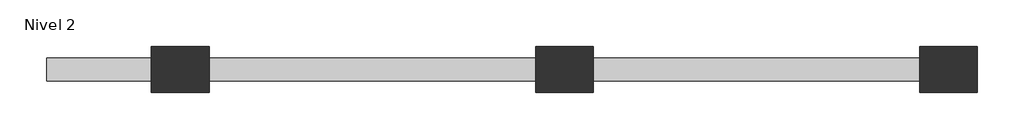
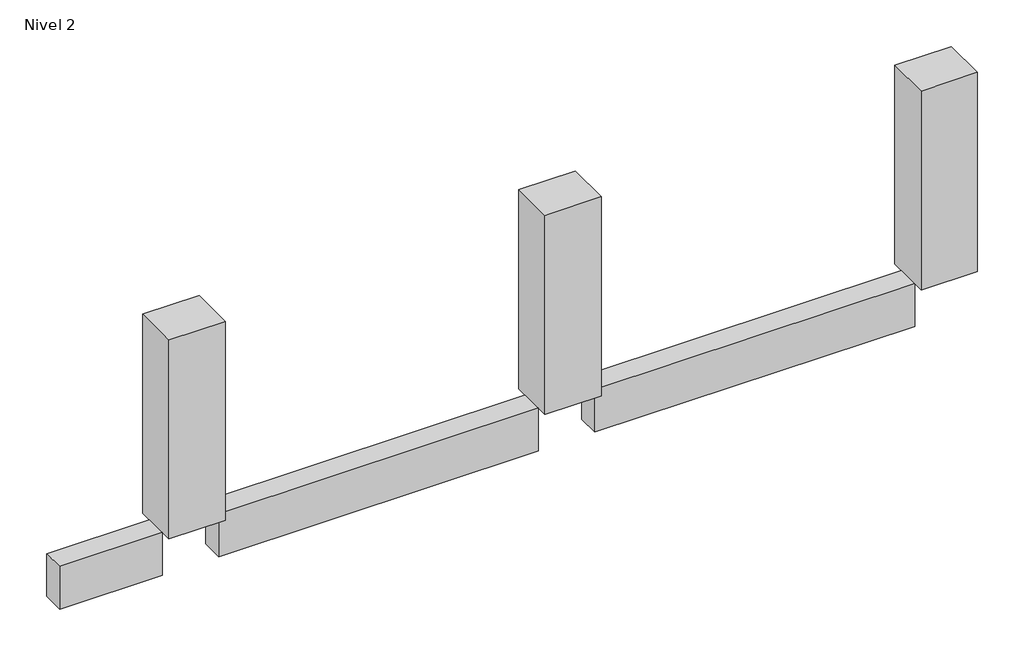
# One storey: 3 beams, 3 columns.
"""IFC4 building model written with IfcOpenShell, lengths in millimetres."""

import ifcopenshell
import ifcopenshell.guid

model = None  # the IFC model being written
_history = None  # IfcOwnerHistory: only IFC2X3 demands one
_inside = {}  # id of a spatial element -> (the spatial element, [elements in it])
_under = {}  # id of a project, library or spatial element -> (it, [spatial elements below it])
_declared = {}  # id of a project -> (the project, [libraries it declares])
_typed = {}  # id of a type object -> (the type object, [elements of that type])
_made_of = {}  # id of a material, layer set ... -> (it, [elements and type objects made of it])


def new_model(schema):
    """Start an empty IFC model of exactly this schema.

    Asked for "IFC4X3", IfcOpenShell would pick the latest addendum, in which some entities
    have other attributes; the version numbers below select the first issue.
    IFC2X3 requires an IfcOwnerHistory on every rooted entity: one is made here for all.
    """
    global model, _history
    if schema == "IFC4X3":
        model = ifcopenshell.file(schema_version=(4, 3, 0, 0))
    else:
        model = ifcopenshell.file(schema=schema)
    _inside.clear()
    _under.clear()
    _declared.clear()
    _typed.clear()
    _made_of.clear()
    _history = None
    if model.schema == "IFC2X3":
        org = make("IfcOrganization", Name="unknown")
        user = make(
            "IfcPersonAndOrganization",
            ThePerson=make("IfcPerson", FamilyName="unknown"),
            TheOrganization=org,
        )
        app = make(
            "IfcApplication",
            ApplicationDeveloper=org,
            Version="unknown",
            ApplicationFullName="unknown",
            ApplicationIdentifier="unknown",
        )
        _history = make(
            "IfcOwnerHistory",
            OwningUser=user,
            OwningApplication=app,
            ChangeAction="ADDED",
            CreationDate=0,
        )
    return model


def make(cls, **values):
    """One entity of the class cls with the attributes given. An attribute that is None is left unset."""
    return model.create_entity(
        cls, **{name: value for name, value in values.items() if value is not None}
    )


def rooted(cls, **values):
    """An entity with a GlobalId (a new one), such as an element, a storey or a relation."""
    return make(cls, GlobalId=ifcopenshell.guid.new(), OwnerHistory=_history, **values)


def si_unit(unit_type, name, prefix=None):
    """IfcSIUnit, for example si_unit("LENGTHUNIT", "METRE", prefix="MILLI")."""
    return make("IfcSIUnit", UnitType=unit_type, Prefix=prefix, Name=name)


def assignment(units):
    """IfcUnitAssignment: the units of a project."""
    return None if units is None else make("IfcUnitAssignment", Units=units)


def point(xyz):
    """IfcCartesianPoint."""
    return None if xyz is None else make("IfcCartesianPoint", Coordinates=xyz)


def direction(xyz):
    """IfcDirection."""
    return None if xyz is None else make("IfcDirection", DirectionRatios=xyz)


def frame(location, z_axis=None, x_axis=None):
    """IfcAxis2Placement3D, a coordinate frame: its origin and axes. An axis left out is left unset."""
    return make(
        "IfcAxis2Placement3D",
        Location=point(location),
        Axis=direction(z_axis),
        RefDirection=direction(x_axis),
    )


def origin():
    """The frame at (0, 0, 0) with its axes left unset."""
    return frame((0.0, 0.0, 0.0))


def place(relative_to, where):
    """IfcLocalPlacement: puts the frame where relative to a parent placement (None: the world)."""
    return make(
        "IfcLocalPlacement", PlacementRelTo=relative_to, RelativePlacement=where
    )


def context(
    kind, dimensions, precision=None, world=None, true_north=None, identifier=None
):
    """IfcGeometricRepresentationContext, for example the 3D "Model" context."""
    return make(
        "IfcGeometricRepresentationContext",
        ContextIdentifier=identifier,
        ContextType=kind,
        CoordinateSpaceDimension=dimensions,
        Precision=precision,
        WorldCoordinateSystem=world,
        TrueNorth=true_north,
    )


def project(units=None, contexts=None):
    """IfcProject with its units and contexts."""
    return rooted(
        "IfcProject",
        Name="project",
        RepresentationContexts=contexts,
        UnitsInContext=assignment(units),
    )


def spatial(cls, under=None, at=None, **own):
    """A site, building, storey or space (cls), placed at a placement, below another one or the project."""
    s = rooted(cls, ObjectPlacement=at, **own)
    if under is not None:
        _under.setdefault(under.id(), (under, []))[1].append(s)
    return s


def polyline(points):
    """IfcPolyline through the points."""
    return make("IfcPolyline", Points=[point(p) for p in points])


def outline(outer, holes=None, kind="AREA"):
    """IfcArbitraryClosedProfileDef: a profile drawn as a closed curve; with holes, ...WithVoids."""
    if holes is None:
        return make("IfcArbitraryClosedProfileDef", ProfileType=kind, OuterCurve=outer)
    return make(
        "IfcArbitraryProfileDefWithVoids",
        ProfileType=kind,
        OuterCurve=outer,
        InnerCurves=holes,
    )


def extrude(swept, where, along, depth):
    """IfcExtrudedAreaSolid: the profile swept, set in the frame where, extruded along a direction by depth."""
    return make(
        "IfcExtrudedAreaSolid",
        SweptArea=swept,
        Position=where,
        ExtrudedDirection=direction(along),
        Depth=depth,
    )


def shape(context_of_items, identifier, shape_type, items):
    """IfcShapeRepresentation: the items that make up one representation, for example the "Body"."""
    return make(
        "IfcShapeRepresentation",
        ContextOfItems=context_of_items,
        RepresentationIdentifier=identifier,
        RepresentationType=shape_type,
        Items=items,
    )


def source(mapping_origin, context_of_items, identifier, shape_type, items):
    """IfcRepresentationMap: a shape defined once, which mapped items show again and again."""
    return make(
        "IfcRepresentationMap",
        MappingOrigin=mapping_origin,
        MappedRepresentation=shape(context_of_items, identifier, shape_type, items),
    )


def transform(
    local_origin,
    x_axis=None,
    y_axis=None,
    z_axis=None,
    scale=None,
    scale2=None,
    scale3=None,
    uniform=True,
):
    """IfcCartesianTransformationOperator3D, or its non-uniform kind. x_axis, y_axis, z_axis: its Axis1, 2, 3."""
    if uniform:
        return make(
            "IfcCartesianTransformationOperator3D",
            Axis1=direction(x_axis),
            Axis2=direction(y_axis),
            LocalOrigin=point(local_origin),
            Scale=scale,
            Axis3=direction(z_axis),
        )
    return make(
        "IfcCartesianTransformationOperator3DnonUniform",
        Axis1=direction(x_axis),
        Axis2=direction(y_axis),
        LocalOrigin=point(local_origin),
        Scale=scale,
        Axis3=direction(z_axis),
        Scale2=scale2,
        Scale3=scale3,
    )


def mapped(mapping_source, mapping_target):
    """IfcMappedItem: shows the shape of a source again, moved by a transform."""
    return make(
        "IfcMappedItem", MappingSource=mapping_source, MappingTarget=mapping_target
    )


def made_of(thing, what):
    """Note that an element or type object is made of a material, layer set ...; save() writes the relation."""
    if what is not None:
        _made_of.setdefault(what.id(), (what, []))[1].append(thing)
    return thing


def element(
    cls,
    number,
    at=None,
    inside=None,
    cuts=None,
    type_object=None,
    material=None,
    context=None,
    identifier="Body",
    shape_type=None,
    held_by="IfcProductDefinitionShape",
    body=None,
    shapes=None,
    **own,
):
    """One element of the class cls, such as IfcWall. Its Tag is "e" and its number.

    at: its placement. inside: the storey or other place that contains it. cuts: it is an
    opening in that element (IfcRelVoidsElement). A single representation is given by context,
    identifier, shape_type and body (its items); several are given by shapes. held_by: the class
    of the entity that holds the representations. save() writes the other relations.
    """
    e = rooted(cls, Tag="e%d" % number, ObjectPlacement=at, **own)
    if body is not None:
        shapes = [shape(context, identifier, shape_type, body)]
    if shapes is not None:
        e.Representation = make(held_by, Representations=shapes)
    if inside is not None:
        _inside.setdefault(inside.id(), (inside, []))[1].append(e)
    if cuts is not None:
        rooted(
            "IfcRelVoidsElement", RelatingBuildingElement=cuts, RelatedOpeningElement=e
        )
    if type_object is not None:
        _typed.setdefault(type_object.id(), (type_object, []))[1].append(e)
    return made_of(e, material)


def aggregate(whole, parts):
    """IfcRelAggregates: a whole, such as a stair, and the parts it consists of."""
    return rooted("IfcRelAggregates", RelatingObject=whole, RelatedObjects=parts)


def save(model, path):
    """Write the relations noted so far, then the file.

    IfcRelAggregates (storeys below a building ...), IfcRelContainedInSpatialStructure (elements
    in a storey), IfcRelDefinesByType, IfcRelAssociatesMaterial and IfcRelDeclares: one each for
    every whole, place, type object, material and project.
    """
    for whole, parts in _under.values():
        aggregate(whole, parts)
    for where, things in _inside.values():
        rooted(
            "IfcRelContainedInSpatialStructure",
            RelatedElements=things,
            RelatingStructure=where,
        )
    for kind, things in _typed.values():
        rooted("IfcRelDefinesByType", RelatedObjects=things, RelatingType=kind)
    for what, things in _made_of.values():
        rooted("IfcRelAssociatesMaterial", RelatedObjects=things, RelatingMaterial=what)
    for by, libraries in _declared.values():
        rooted("IfcRelDeclares", RelatingContext=by, RelatedDefinitions=libraries)
    model.write(path)


def column_600_x_750_e5bbf7be(model_context):
    return source(origin(), model_context, "Body", "SweptSolid", [
        extrude(outline(polyline([(300.0, 375.0), (300.0, -375.0), (-300.0, -375.0), (-300.0, 375.0), (300.0, 375.0)])), frame((0.0, 0.0, 2800.0), z_axis=(0.0, 0.0, 1.0), x_axis=(1.0, 0.0, 0.0)), (0.0, 0.0, 1.0), 2800.0),
    ])


model = new_model("IFC4")

# Units and contexts
model_context = context("Model", 3, world=origin())
ifc_project = project(units=[si_unit("LENGTHUNIT", "METRE", prefix="MILLI")], contexts=[model_context])

# Site, building, storey
site = spatial("IfcSite", under=ifc_project)
building = spatial("IfcBuilding", under=site)
storey = spatial("IfcBuildingStorey", under=building, Name="Nivel 2", Elevation=2800.0)

# Beams
placement = place(None, origin())
element("IfcBeam", 1, ObjectType="300 x 600mm", at=placement, inside=storey, context=model_context, shape_type="SweptSolid", body=[
    extrude(outline(polyline([(-10899.5300142, -58.0042089), (-10899.5300142, 241.9957911), (-6649.5300142, 241.9957911), (-6649.5300142, -58.0042089), (-10899.5300142, -58.0042089)])), frame((0.0, 0.0, 2200.0), z_axis=(0.0, 0.0, 1.0), x_axis=(1.0, 0.0, 0.0)), (0.0, 0.0, 1.0), 600.0),
])
element("IfcBeam", 2, ObjectType="300 x 600mm", at=placement, inside=storey, context=model_context, shape_type="SweptSolid", body=[
    extrude(outline(polyline([(-5899.5300142, -58.0042089), (-5899.5300142, 241.9957911), (-1649.5300142, 241.9957911), (-1649.5300142, -58.0042089), (-5899.5300142, -58.0042089)])), frame((0.0, 0.0, 2200.0), z_axis=(0.0, 0.0, 1.0), x_axis=(1.0, 0.0, 0.0)), (0.0, 0.0, 1.0), 600.0),
])
element("IfcBeam", 3, ObjectType="300 x 600mm", at=placement, inside=storey, context=model_context, shape_type="SweptSolid", body=[
    extrude(outline(polyline([(-13014.5300142, -58.0042089), (-13014.5300142, 241.9957911), (-11649.5300142, 241.9957911), (-11649.5300142, -58.0042089), (-13014.5300142, -58.0042089)])), frame((0.0, 0.0, 2200.0), z_axis=(0.0, 0.0, 1.0), x_axis=(1.0, 0.0, 0.0)), (0.0, 0.0, 1.0), 600.0),
])

# Columns
column_600_x_750_shape = column_600_x_750_e5bbf7be(model_context)
element("IfcColumn", 4, ObjectType="600 x 750", at=placement, inside=storey, context=model_context, shape_type="MappedRepresentation", body=[
    mapped(column_600_x_750_shape, transform((-11274.5300142, 91.9957911, 0.0), x_axis=(0.0, 1.0, 0.0), y_axis=(-1.0, 0.0, 0.0), z_axis=(0.0, 0.0, 1.0))),
])
element("IfcColumn", 5, ObjectType="600 x 750", at=placement, inside=storey, context=model_context, shape_type="MappedRepresentation", body=[
    mapped(column_600_x_750_shape, transform((-6274.5300142, 91.9957911, 0.0), x_axis=(0.0, 1.0, 0.0), y_axis=(-1.0, 0.0, 0.0), z_axis=(0.0, 0.0, 1.0))),
])
element("IfcColumn", 6, ObjectType="600 x 750", at=placement, inside=storey, context=model_context, shape_type="MappedRepresentation", body=[
    mapped(column_600_x_750_shape, transform((-1274.5300142, 91.9957911, 0.0), x_axis=(0.0, 1.0, 0.0), y_axis=(-1.0, 0.0, 0.0), z_axis=(0.0, 0.0, 1.0))),
])

save(model, "model.ifc")
